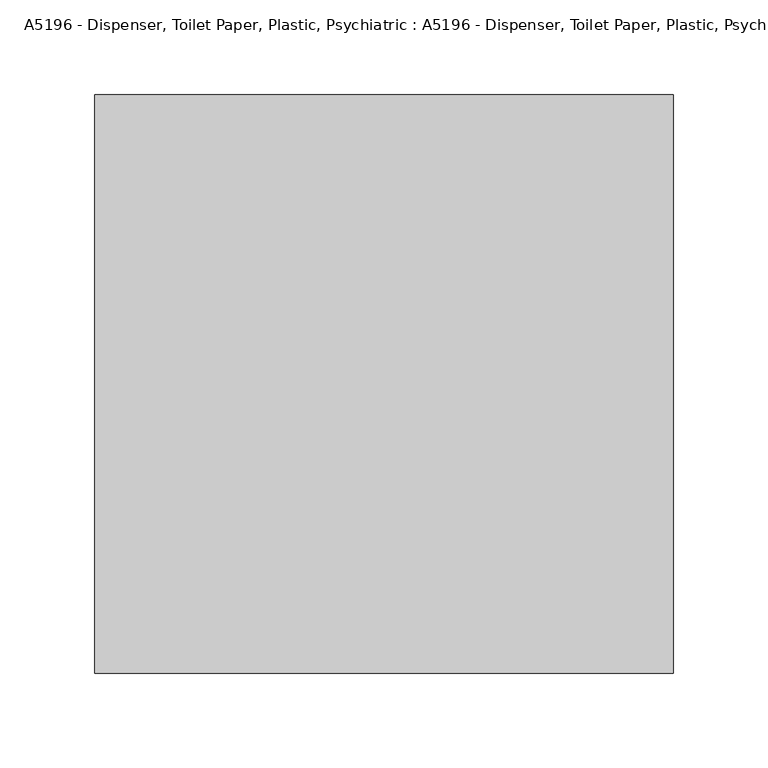
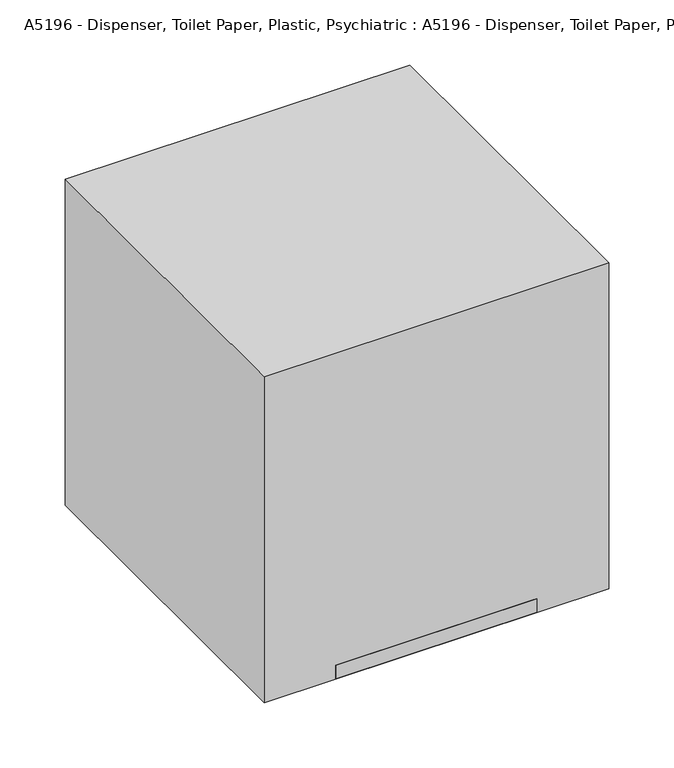
"""IFC4 building model written with IfcOpenShell, lengths in millimetres: proxy geometry, A5196 - Dispenser, Toilet Paper, Plastic, Psychiatric : A5196 - Dispenser, Toilet Paper, Plastic, Psychiatric."""

from ifc_helpers import new_model, si_unit, point, frame_2d, origin, origin_with_axes, place, context, project, spatial, polyline, circle_curve, trimmed, segment, composite_curve, outline, extrude, source, transform, mapped, element, save


def a5196_dispenser_toilet_paper_plastic_psychiatric_a5196_7ea39c11(model_context):
    return source(origin(), model_context, "Body", "SweptSolid", [
        extrude(outline(polyline([(88.9, 0.0), (-88.9, 0.0), (-88.9, 177.8), (88.9, 177.8), (88.9, 0.0)]), holes=[composite_curve([segment(trimmed(circle_curve(frame_2d((0.0, 88.9)), 76.2), [point((-76.2, 88.9))], [point((76.2, 88.9))], True, "CARTESIAN"), True, "CONTINUOUS"), segment(trimmed(circle_curve(frame_2d((0.0, 88.9)), 76.2), [point((76.2, 88.9))], [point((-76.2, 88.9))], True, "CARTESIAN"), True, "CONTINUOUS")], self_intersect=False)]), origin_with_axes(), (0.0, 0.0, 1.0), 12.7),
        extrude(outline(polyline([(152.4, 304.8), (152.4, 0.0), (-152.4, 0.0), (-152.4, 304.8), (152.4, 304.8)])), origin_with_axes(), (0.0, 0.0, 1.0), 304.8),
    ])


if __name__ == "__main__":
    model = new_model("IFC4")
    model_context = context("Model", 3, world=origin())
    ifc_project = project(units=[si_unit("LENGTHUNIT", "METRE", prefix="MILLI")], contexts=[model_context])
    site = spatial("IfcSite", under=ifc_project)
    building = spatial("IfcBuilding", under=site)
    placement = place(None, origin())
    a5196_dispenser_toilet_paper_plastic_psychiatric_a5196_shape = a5196_dispenser_toilet_paper_plastic_psychiatric_a5196_7ea39c11(model_context)
    element("IfcBuildingElementProxy", 1, Name="A5196 - Dispenser, Toilet Paper, Plastic, Psychiatric : A5196 - Dispenser, Toilet Paper, Plastic, Psychiatric", ObjectType="A5196 - Dispenser, Toilet Paper, Plastic, Psychiatric : A5196 - Dispenser, Toilet Paper, Plastic, Psychiatric", at=placement, inside=building, context=model_context, shape_type="MappedRepresentation", body=[
        mapped(a5196_dispenser_toilet_paper_plastic_psychiatric_a5196_shape, transform((0.0, 0.0, 0.0), x_axis=(1.0, 0.0, 0.0), y_axis=(0.0, 1.0, 0.0), z_axis=(0.0, 0.0, 1.0))),
    ])
    save(model, "model.ifc")
